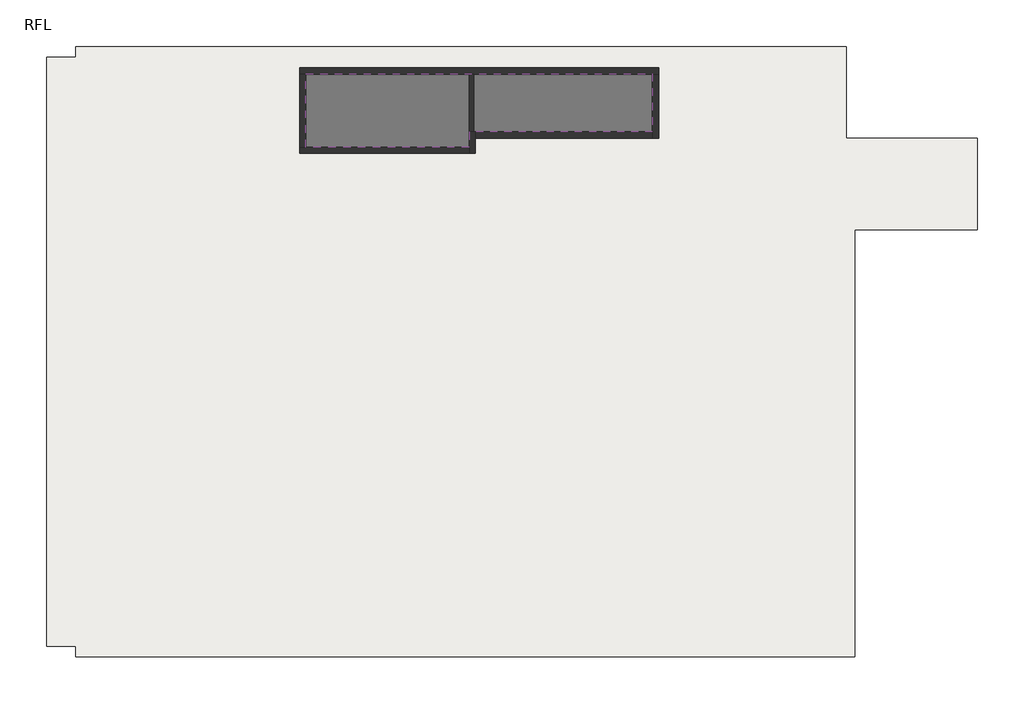
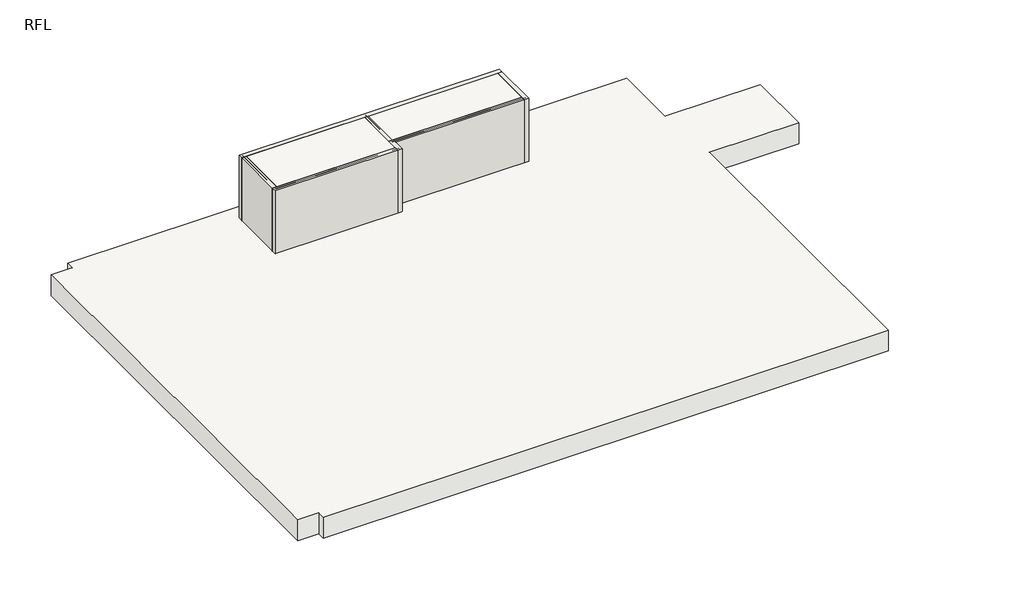
# One storey: 7 walls, 2 proxies, 2 slabs.
"""IFC4 building model written with IfcOpenShell, lengths in millimetres."""

import ifcopenshell
import ifcopenshell.guid

model = None  # the IFC model being written
_history = None  # IfcOwnerHistory: only IFC2X3 demands one
_inside = {}  # id of a spatial element -> (the spatial element, [elements in it])
_under = {}  # id of a project, library or spatial element -> (it, [spatial elements below it])
_declared = {}  # id of a project -> (the project, [libraries it declares])
_typed = {}  # id of a type object -> (the type object, [elements of that type])
_made_of = {}  # id of a material, layer set ... -> (it, [elements and type objects made of it])


def new_model(schema):
    """Start an empty IFC model of exactly this schema.

    Asked for "IFC4X3", IfcOpenShell would pick the latest addendum, in which some entities
    have other attributes; the version numbers below select the first issue.
    IFC2X3 requires an IfcOwnerHistory on every rooted entity: one is made here for all.
    """
    global model, _history
    if schema == "IFC4X3":
        model = ifcopenshell.file(schema_version=(4, 3, 0, 0))
    else:
        model = ifcopenshell.file(schema=schema)
    _inside.clear()
    _under.clear()
    _declared.clear()
    _typed.clear()
    _made_of.clear()
    _history = None
    if model.schema == "IFC2X3":
        org = make("IfcOrganization", Name="unknown")
        user = make(
            "IfcPersonAndOrganization",
            ThePerson=make("IfcPerson", FamilyName="unknown"),
            TheOrganization=org,
        )
        app = make(
            "IfcApplication",
            ApplicationDeveloper=org,
            Version="unknown",
            ApplicationFullName="unknown",
            ApplicationIdentifier="unknown",
        )
        _history = make(
            "IfcOwnerHistory",
            OwningUser=user,
            OwningApplication=app,
            ChangeAction="ADDED",
            CreationDate=0,
        )
    return model


def make(cls, **values):
    """One entity of the class cls with the attributes given. An attribute that is None is left unset."""
    return model.create_entity(
        cls, **{name: value for name, value in values.items() if value is not None}
    )


def rooted(cls, **values):
    """An entity with a GlobalId (a new one), such as an element, a storey or a relation."""
    return make(cls, GlobalId=ifcopenshell.guid.new(), OwnerHistory=_history, **values)


def si_unit(unit_type, name, prefix=None):
    """IfcSIUnit, for example si_unit("LENGTHUNIT", "METRE", prefix="MILLI")."""
    return make("IfcSIUnit", UnitType=unit_type, Prefix=prefix, Name=name)


def assignment(units):
    """IfcUnitAssignment: the units of a project."""
    return None if units is None else make("IfcUnitAssignment", Units=units)


def point(xyz):
    """IfcCartesianPoint."""
    return None if xyz is None else make("IfcCartesianPoint", Coordinates=xyz)


def direction(xyz):
    """IfcDirection."""
    return None if xyz is None else make("IfcDirection", DirectionRatios=xyz)


def frame(location, z_axis=None, x_axis=None):
    """IfcAxis2Placement3D, a coordinate frame: its origin and axes. An axis left out is left unset."""
    return make(
        "IfcAxis2Placement3D",
        Location=point(location),
        Axis=direction(z_axis),
        RefDirection=direction(x_axis),
    )


def origin():
    """The frame at (0, 0, 0) with its axes left unset."""
    return frame((0.0, 0.0, 0.0))


def place(relative_to, where):
    """IfcLocalPlacement: puts the frame where relative to a parent placement (None: the world)."""
    return make(
        "IfcLocalPlacement", PlacementRelTo=relative_to, RelativePlacement=where
    )


def context(
    kind, dimensions, precision=None, world=None, true_north=None, identifier=None
):
    """IfcGeometricRepresentationContext, for example the 3D "Model" context."""
    return make(
        "IfcGeometricRepresentationContext",
        ContextIdentifier=identifier,
        ContextType=kind,
        CoordinateSpaceDimension=dimensions,
        Precision=precision,
        WorldCoordinateSystem=world,
        TrueNorth=true_north,
    )


def project(units=None, contexts=None):
    """IfcProject with its units and contexts."""
    return rooted(
        "IfcProject",
        Name="project",
        RepresentationContexts=contexts,
        UnitsInContext=assignment(units),
    )


def spatial(cls, under=None, at=None, **own):
    """A site, building, storey or space (cls), placed at a placement, below another one or the project."""
    s = rooted(cls, ObjectPlacement=at, **own)
    if under is not None:
        _under.setdefault(under.id(), (under, []))[1].append(s)
    return s


def polyline(points):
    """IfcPolyline through the points."""
    return make("IfcPolyline", Points=[point(p) for p in points])


def outline(outer, holes=None, kind="AREA"):
    """IfcArbitraryClosedProfileDef: a profile drawn as a closed curve; with holes, ...WithVoids."""
    if holes is None:
        return make("IfcArbitraryClosedProfileDef", ProfileType=kind, OuterCurve=outer)
    return make(
        "IfcArbitraryProfileDefWithVoids",
        ProfileType=kind,
        OuterCurve=outer,
        InnerCurves=holes,
    )


def extrude(swept, where, along, depth):
    """IfcExtrudedAreaSolid: the profile swept, set in the frame where, extruded along a direction by depth."""
    return make(
        "IfcExtrudedAreaSolid",
        SweptArea=swept,
        Position=where,
        ExtrudedDirection=direction(along),
        Depth=depth,
    )


def faces_of(points, faces, orient=None, outer=None):
    """IfcFace entities. A face is a list of loops; a loop is a list of indices into points, from 0.

    orient and outer hold one flag for each loop. By default every Orientation is true, the
    first loop of a face is its IfcFaceOuterBound and the others are IfcFaceBound.
    """
    made = []
    for i, loops in enumerate(faces):
        bounds = []
        for j, loop in enumerate(loops):
            is_outer = j == 0 if outer is None else outer[i][j]
            bounds.append(
                make(
                    "IfcFaceOuterBound" if is_outer else "IfcFaceBound",
                    Bound=make("IfcPolyLoop", Polygon=[points[k] for k in loop]),
                    Orientation=True if orient is None else orient[i][j],
                )
            )
        made.append(make("IfcFace", Bounds=bounds))
    return made


def faceted_brep(points, faces, orient=None, outer=None, voids=None):
    """IfcFacetedBrep: a solid bounded by flat faces; with voids (closed shells), ...WithVoids."""
    shared = [point(p) for p in points]
    hull = make("IfcClosedShell", CfsFaces=faces_of(shared, faces, orient, outer))
    if voids is None:
        return make("IfcFacetedBrep", Outer=hull)
    return make(
        "IfcFacetedBrepWithVoids",
        Outer=hull,
        Voids=[
            make(cls, CfsFaces=faces_of(shared, fs, o, b)) for cls, fs, o, b in voids
        ],
    )


def shape(context_of_items, identifier, shape_type, items):
    """IfcShapeRepresentation: the items that make up one representation, for example the "Body"."""
    return make(
        "IfcShapeRepresentation",
        ContextOfItems=context_of_items,
        RepresentationIdentifier=identifier,
        RepresentationType=shape_type,
        Items=items,
    )


def made_of(thing, what):
    """Note that an element or type object is made of a material, layer set ...; save() writes the relation."""
    if what is not None:
        _made_of.setdefault(what.id(), (what, []))[1].append(thing)
    return thing


def element(
    cls,
    number,
    at=None,
    inside=None,
    cuts=None,
    type_object=None,
    material=None,
    context=None,
    identifier="Body",
    shape_type=None,
    held_by="IfcProductDefinitionShape",
    body=None,
    shapes=None,
    **own,
):
    """One element of the class cls, such as IfcWall. Its Tag is "e" and its number.

    at: its placement. inside: the storey or other place that contains it. cuts: it is an
    opening in that element (IfcRelVoidsElement). A single representation is given by context,
    identifier, shape_type and body (its items); several are given by shapes. held_by: the class
    of the entity that holds the representations. save() writes the other relations.
    """
    e = rooted(cls, Tag="e%d" % number, ObjectPlacement=at, **own)
    if body is not None:
        shapes = [shape(context, identifier, shape_type, body)]
    if shapes is not None:
        e.Representation = make(held_by, Representations=shapes)
    if inside is not None:
        _inside.setdefault(inside.id(), (inside, []))[1].append(e)
    if cuts is not None:
        rooted(
            "IfcRelVoidsElement", RelatingBuildingElement=cuts, RelatedOpeningElement=e
        )
    if type_object is not None:
        _typed.setdefault(type_object.id(), (type_object, []))[1].append(e)
    return made_of(e, material)


def aggregate(whole, parts):
    """IfcRelAggregates: a whole, such as a stair, and the parts it consists of."""
    return rooted("IfcRelAggregates", RelatingObject=whole, RelatedObjects=parts)


def save(model, path):
    """Write the relations noted so far, then the file.

    IfcRelAggregates (storeys below a building ...), IfcRelContainedInSpatialStructure (elements
    in a storey), IfcRelDefinesByType, IfcRelAssociatesMaterial and IfcRelDeclares: one each for
    every whole, place, type object, material and project.
    """
    for whole, parts in _under.values():
        aggregate(whole, parts)
    for where, things in _inside.values():
        rooted(
            "IfcRelContainedInSpatialStructure",
            RelatedElements=things,
            RelatingStructure=where,
        )
    for kind, things in _typed.values():
        rooted("IfcRelDefinesByType", RelatedObjects=things, RelatingType=kind)
    for what, things in _made_of.values():
        rooted("IfcRelAssociatesMaterial", RelatedObjects=things, RelatingMaterial=what)
    for by, libraries in _declared.values():
        rooted("IfcRelDeclares", RelatingContext=by, RelatedDefinitions=libraries)
    model.write(path)


model = new_model("IFC4")

# Units and contexts
model_context = context("Model", 3, world=origin())
ifc_project = project(units=[si_unit("LENGTHUNIT", "METRE", prefix="MILLI")], contexts=[model_context])

# Site, building, storey
site = spatial("IfcSite", under=ifc_project)
building = spatial("IfcBuilding", under=site)
storey = spatial("IfcBuildingStorey", under=building, Name="RFL", Elevation=32600.0)

# Proxies
placement = place(None, origin())
element("IfcBuildingElementProxy", 1, Name="Mass", at=placement, inside=storey, context=model_context, shape_type="SweptSolid", body=[
    extrude(outline(polyline([(-15395.9784025, 15749.6868987), (-15395.9784025, 13149.6868987), (-20945.9784025, 13149.6868987), (-20945.9784025, 15749.6868987), (-15395.9784025, 15749.6868987)])), frame((0.0, 0.0, 32600.0), z_axis=(0.0, 0.0, 1.0), x_axis=(1.0, 0.0, 0.0)), (0.0, 0.0, 1.0), 3000.0),
])
element("IfcBuildingElementProxy", 2, Name="Mass", at=placement, inside=storey, context=model_context, shape_type="SweptSolid", body=[
    extrude(outline(polyline([(-9395.9784025, 15749.6868987), (-9395.9784025, 13649.6868987), (-15395.9784025, 13649.6868987), (-15395.9784025, 15749.6868987), (-9395.9784025, 15749.6868987)])), frame((0.0, 0.0, 32600.0), z_axis=(0.0, 0.0, 1.0), x_axis=(1.0, 0.0, 0.0)), (0.0, 0.0, 1.0), 3000.0),
])

# Slabs
element("IfcSlab", 3, at=placement, inside=storey, context=model_context, shape_type="SweptSolid", body=[
    extrude(outline(polyline([(-3145.9784025, 16549.6868987), (-3145.9784025, 13549.6868987), (1154.0215975, 13549.6868987), (1154.0215975, 10549.6868987), (-2870.9784025, 10549.6868987), (-2870.9784025, -3450.3131013), (-28395.9784025, -3450.3131013), (-28395.9784025, -3105.3131013), (-29345.9784025, -3105.3131013), (-29345.9784025, 16194.6868987), (-28395.9784025, 16194.6868987), (-28395.9784025, 16549.6868987), (-3145.9784025, 16549.6868987)])), frame((0.0, 0.0, 31600.0), z_axis=(0.0, 0.0, 1.0), x_axis=(1.0, 0.0, 0.0)), (0.0, 0.0, 1.0), 1000.0),
])
element("IfcSlab", 4, ObjectType="RC150", at=placement, inside=storey, context=model_context, shape_type="SweptSolid", body=[
    extrude(outline(polyline([(-9495.9784025, 15649.6868987), (-9495.9784025, 13749.6868987), (-15495.9784025, 13749.6868987), (-15495.9784025, 13249.6868987), (-20845.9784025, 13249.6868987), (-20845.9784025, 15649.6868987), (-9495.9784025, 15649.6868987)])), frame((0.0, 0.0, 35450.0), z_axis=(0.0, 0.0, 1.0), x_axis=(1.0, 0.0, 0.0)), (0.0, 0.0, 1.0), 150.0),
])

# Walls
element("IfcWall", 5, at=placement, inside=storey, context=model_context, shape_type="Brep", body=[
    faceted_brep([(-21045.9784025, 15649.6868987, 32600.0), (-20845.9784025, 15649.6868987, 32600.0), (-15495.9784025, 15649.6868987, 32600.0), (-15345.9784025, 15649.6868987, 32600.0), (-9495.9784025, 15649.6868987, 32600.0), (-9295.9784025, 15649.6868987, 32600.0), (-9295.9784025, 15649.6868987, 35600.0), (-9495.9784025, 15649.6868987, 35600.0), (-15345.9784025, 15649.6868987, 35600.0), (-15495.9784025, 15649.6868987, 35600.0), (-20845.9784025, 15649.6868987, 35600.0), (-21045.9784025, 15649.6868987, 35600.0), (-21045.9784025, 15849.6868987, 32600.0), (-21045.9784025, 15849.6868987, 35600.0), (-9295.9784025, 15849.6868987, 35600.0), (-9295.9784025, 15849.6868987, 32600.0)], [[[0, 1, 2, 3, 4, 5, 6, 7, 8, 9, 10, 11]], [[12, 13, 14, 15]], [[5, 4, 3, 2, 1, 0, 12, 15]], [[11, 10, 9, 8, 7, 6, 14, 13]], [[6, 5, 15, 14]], [[0, 11, 13, 12]]]),
])
element("IfcWall", 6, at=placement, inside=storey, context=model_context, shape_type="Brep", body=[
    faceted_brep([(-9495.9784025, 15649.6868987, 32600.0), (-9495.9784025, 13749.6868987, 32600.0), (-9495.9784025, 13549.6868987, 32600.0), (-9495.9784025, 13549.6868987, 35600.0), (-9495.9784025, 13749.6868987, 35600.0), (-9495.9784025, 15649.6868987, 35600.0), (-9295.9784025, 15649.6868987, 32600.0), (-9295.9784025, 15649.6868987, 35600.0), (-9295.9784025, 13549.6868987, 35600.0), (-9295.9784025, 13549.6868987, 32600.0)], [[[0, 1, 2, 3, 4, 5]], [[6, 7, 8, 9]], [[2, 1, 0, 6, 9]], [[5, 4, 3, 8, 7]], [[0, 5, 7, 6]], [[3, 2, 9, 8]]]),
])
element("IfcWall", 7, at=placement, inside=storey, context=model_context, shape_type="SweptSolid", body=[
    extrude(outline(polyline([(-15295.9784025, 13749.6868987), (-9495.9784025, 13749.6868987), (-9495.9784025, 13549.6868987), (-15295.9784025, 13549.6868987), (-15295.9784025, 13749.6868987)])), frame((0.0, 0.0, 32600.0), z_axis=(0.0, 0.0, 1.0), x_axis=(1.0, 0.0, 0.0)), (0.0, 0.0, 1.0), 3000.0),
])
element("IfcWall", 8, at=placement, inside=storey, context=model_context, shape_type="Brep", body=[
    faceted_brep([(-15495.9784025, 13749.6868987, 32600.0), (-15495.9784025, 13249.6868987, 32600.0), (-15495.9784025, 13049.6868987, 32600.0), (-15495.9784025, 13049.6868987, 35600.0), (-15495.9784025, 13249.6868987, 35600.0), (-15495.9784025, 13749.6868987, 35600.0), (-15295.9784025, 13749.6868987, 32600.0), (-15295.9784025, 13749.6868987, 35600.0), (-15295.9784025, 13549.6868987, 35600.0), (-15295.9784025, 13049.6868987, 35600.0), (-15295.9784025, 13049.6868987, 32600.0), (-15295.9784025, 13549.6868987, 32600.0), (-15345.9784025, 13749.6868987, 32600.0), (-15345.9784025, 13749.6868987, 35600.0)], [[[0, 1, 2, 3, 4, 5]], [[6, 7, 8, 9, 10, 11]], [[2, 1, 0, 12, 6, 11, 10]], [[5, 4, 3, 9, 8, 7, 13]], [[0, 5, 13, 7, 6, 12]], [[3, 2, 10, 9]]]),
])
element("IfcWall", 9, at=placement, inside=storey, context=model_context, shape_type="Brep", body=[
    faceted_brep([(-15495.9784025, 13249.6868987, 32600.0), (-20845.9784025, 13249.6868987, 32600.0), (-21045.9784025, 13249.6868987, 32600.0), (-21045.9784025, 13249.6868987, 35600.0), (-20845.9784025, 13249.6868987, 35600.0), (-15495.9784025, 13249.6868987, 35600.0), (-15495.9784025, 13049.6868987, 32600.0), (-15495.9784025, 13049.6868987, 35600.0), (-21045.9784025, 13049.6868987, 35600.0), (-21045.9784025, 13049.6868987, 32600.0)], [[[0, 1, 2, 3, 4, 5]], [[6, 7, 8, 9]], [[2, 1, 0, 6, 9]], [[5, 4, 3, 8, 7]], [[0, 5, 7, 6]], [[3, 2, 9, 8]]]),
])
element("IfcWall", 10, at=placement, inside=storey, context=model_context, shape_type="SweptSolid", body=[
    extrude(outline(polyline([(-20845.9784025, 15649.6868987), (-20845.9784025, 13249.6868987), (-21045.9784025, 13249.6868987), (-21045.9784025, 15649.6868987), (-20845.9784025, 15649.6868987)])), frame((0.0, 0.0, 32600.0), z_axis=(0.0, 0.0, 1.0), x_axis=(1.0, 0.0, 0.0)), (0.0, 0.0, 1.0), 3000.0),
])
element("IfcWall", 11, at=placement, inside=storey, context=model_context, shape_type="SweptSolid", body=[
    extrude(outline(polyline([(-15345.9784025, 15649.6868987), (-15345.9784025, 13749.6868987), (-15495.9784025, 13749.6868987), (-15495.9784025, 15649.6868987), (-15345.9784025, 15649.6868987)])), frame((0.0, 0.0, 32600.0), z_axis=(0.0, 0.0, 1.0), x_axis=(1.0, 0.0, 0.0)), (0.0, 0.0, 1.0), 3000.0),
])

save(model, "model.ifc")
